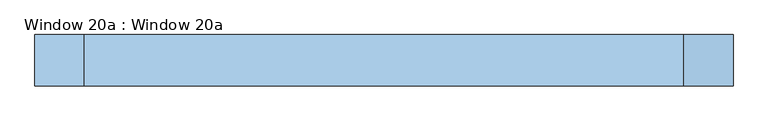
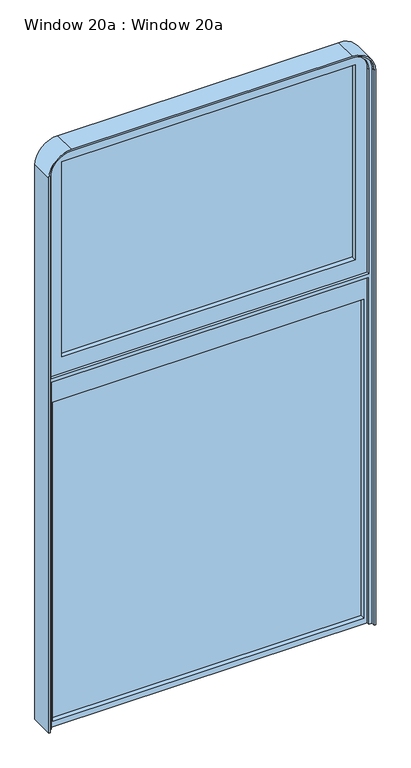
"""IFC4 building model written with IfcOpenShell, lengths in millimetres: window geometry, Window 20a : Window 20a."""

from ifc_helpers import new_model, si_unit, point, frame, frame_2d, origin, place, context, project, spatial, polyline, circle_curve, trimmed, segment, composite_curve, outline, extrude, source, transform, mapped, element, save
from ifc_brep_helpers import plane_surface, cylinder_surface, revolved_surface, advanced_brep


def window_20a_window_20a_917a2120(model_context):
    return source(origin(), model_context, "Body", "SolidModel", [
        extrude(outline(polyline([(969.3587862, 12.7), (-969.3587862, 12.7), (-969.3587862, 31.75), (969.3587862, 31.75), (969.3587862, 12.7)])), frame((0.0, 0.0, 3476.6755698), z_axis=(0.0, 0.0, 1.0), x_axis=(1.0, 0.0, 0.0)), (0.0, 0.0, 1.0), 1361.6727544),
        extrude(outline(polyline([(1027.43, 12.7), (-1027.43, 12.7), (-1027.43, 31.75), (1027.43, 31.75), (1027.43, 12.7)])), frame((0.0, 0.0, 952.5), z_axis=(0.0, 0.0, 1.0), x_axis=(1.0, 0.0, 0.0)), (0.0, 0.0, 1.0), 2225.7255698),
        extrude(outline(polyline([(3336.9755698, 1049.02), (3336.9755698, -1049.02), (914.4, -1049.02), (914.4, 1049.02), (3336.9755698, 1049.02)]), holes=[polyline([(952.5, -1027.43), (3178.2255698, -1027.43), (3178.2255698, 1027.43), (952.5, 1027.43), (952.5, -1027.43)])]), frame((0.0, -19.05, 0.0), z_axis=(0.0, 1.0, 0.0), x_axis=(0.0, 0.0, 1.0)), (0.0, 0.0, 1.0), 50.8),
        extrude(outline(composite_curve([segment(polyline([(3362.3755698, -1049.02), (3362.3755698, 1049.02), (4790.8912161, 1049.02)]), True, "CONTINUOUS"), segment(trimmed(circle_curve(frame_2d((4790.8912161, 927.1)), 121.92), [point((4790.8912161, 1049.02))], [point((4912.8112161, 927.1))], False, "CARTESIAN"), True, "CONTINUOUS"), segment(polyline([(4912.8112161, 927.1), (4912.8112161, -927.1)]), True, "CONTINUOUS"), segment(trimmed(circle_curve(frame_2d((4790.8912161, -927.1)), 121.92), [point((4912.8112161, -927.1))], [point((4790.8912161, -1049.02))], False, "CARTESIAN"), True, "CONTINUOUS"), segment(polyline([(4790.8912161, -1049.02), (3362.3755698, -1049.02)]), True, "CONTINUOUS")], self_intersect=False), holes=[polyline([(3476.6755698, 969.3587862), (3476.6755698, -969.3587862), (4838.3483242, -969.3587862), (4838.3483242, 969.3587862), (3476.6755698, 969.3587862)])]), frame((0.0, -19.05, 0.0), z_axis=(0.0, 1.0, 0.0), x_axis=(0.0, 0.0, 1.0)), (0.0, 0.0, 1.0), 50.8),
        extrude(outline(composite_curve([segment(trimmed(circle_curve(frame_2d((4785.8112161, -927.1)), 143.51), [point((4929.3212161, -927.1))], [point((4785.8112161, -1070.61))], False, "CARTESIAN"), True, "CONTINUOUS"), segment(polyline([(4785.8112161, -1070.61), (914.4, -1070.61), (914.4, -1049.02), (3336.9755698, -1049.02), (3336.9755698, 1049.02), (914.4, 1049.02), (914.4, 1070.61), (4785.8112161, 1070.61)]), True, "CONTINUOUS"), segment(trimmed(circle_curve(frame_2d((4785.8112161, 927.1)), 143.51), [point((4785.8112161, 1070.61))], [point((4929.3212161, 927.1))], False, "CARTESIAN"), True, "CONTINUOUS"), segment(polyline([(4929.3212161, 927.1), (4929.3212161, -927.1)]), True, "CONTINUOUS")], self_intersect=False), holes=[composite_curve([segment(polyline([(3362.3755698, -1049.02), (4790.8912161, -1049.02)]), True, "CONTINUOUS"), segment(trimmed(circle_curve(frame_2d((4790.8912161, -927.1)), 121.92), [point((4790.8912161, -1049.02))], [point((4912.8112161, -927.1))], True, "CARTESIAN"), True, "CONTINUOUS"), segment(polyline([(4912.8112161, -927.1), (4912.8112161, 927.1)]), True, "CONTINUOUS"), segment(trimmed(circle_curve(frame_2d((4790.8912161, 927.1)), 121.92), [point((4912.8112161, 927.1))], [point((4790.8912161, 1049.02))], True, "CARTESIAN"), True, "CONTINUOUS"), segment(polyline([(4790.8912161, 1049.02), (3362.3755698, 1049.02), (3362.3755698, -1049.02)]), True, "CONTINUOUS")], self_intersect=False)]), frame((0.0, -38.1, 0.0), z_axis=(0.0, 1.0, 0.0), x_axis=(0.0, 0.0, 1.0)), (0.0, 0.0, 1.0), 95.25),
        advanced_brep(
        [(-1079.5, -63.5, 4785.8112161), (-1079.5, -63.5, 914.4), (-1070.61, -63.5, 914.4), (-1070.61, -63.5, 4785.8112161), (-927.1, -63.5, 4929.3212161), (927.1, -63.5, 4929.3212161), (1070.61, -63.5, 4785.8112161), (1070.61, -63.5, 914.4), (1079.5, -63.5, 914.4), (1079.5, -63.5, 4785.8112161), (927.1, -63.5, 4938.2112161), (-927.1, -63.5, 4938.268), (-1079.5, 95.25, 4785.8112161), (-1079.5, 95.25, 914.4), (-1070.61, 95.25, 914.4), (-1070.61, 95.25, 4785.8112161), (1070.61, 95.25, 4785.8112161), (1070.61, 95.25, 914.4), (1079.5, 95.25, 914.4), (1079.5, 95.25, 4785.8112161), (-927.1, 95.25, 4938.2112161), (927.1, 95.25, 4938.268), (927.1, 95.25, 4929.3212161), (-927.1, 95.25, 4929.3212161)],
        [
            (0, 1),
            (1, 2),
            (2, 3),
            (3, 4, circle_curve(frame((-927.1, -63.5, 4785.8112161), z_axis=(0.0, 1.0, 0.0), x_axis=(1.0, 0.0, 0.0)), 143.51)),
            (4, 5),
            (5, 6, circle_curve(frame((927.1, -63.5, 4785.8112161), z_axis=(0.0, 1.0, 0.0), x_axis=(1.0, 0.0, 0.0)), 143.51)),
            (6, 7),
            (7, 8),
            (8, 9),
            (9, 10, circle_curve(frame((927.1, -63.5, 4785.8112161), z_axis=(0.0, -1.0, 0.0), x_axis=(1.0, 0.0, 0.0)), 152.4)),
            (10, 11),
            (11, 0, circle_curve(frame((-927.1, -63.5, 4785.8112161), z_axis=(0.0, -1.0, 0.0), x_axis=(1.0, 0.0, 0.0)), 152.4)),
            (0, 12),
            (12, 13),
            (13, 1),
            (13, 14),
            (14, 2),
            (14, 15),
            (15, 3),
            (6, 16),
            (16, 17),
            (17, 7),
            (17, 18),
            (18, 8),
            (18, 19),
            (19, 9),
            (12, 20, circle_curve(frame((-927.1, 95.25, 4785.8112161), z_axis=(0.0, 1.0, 0.0), x_axis=(1.0, 0.0, 0.0)), 152.4)),
            (20, 21),
            (21, 19, circle_curve(frame((927.1, 95.25, 4785.8112161), z_axis=(0.0, 1.0, 0.0), x_axis=(1.0, 0.0, 0.0)), 152.4)),
            (16, 22, circle_curve(frame((927.1, 95.25, 4785.8112161), z_axis=(0.0, -1.0, 0.0), x_axis=(1.0, 0.0, 0.0)), 143.51)),
            (22, 23),
            (23, 15, circle_curve(frame((-927.1, 95.25, 4785.8112161), z_axis=(0.0, -1.0, 0.0), x_axis=(1.0, 0.0, 0.0)), 143.51)),
            (23, 4),
            (22, 5),
            (21, 10),
            (20, 11),
        ],
        [
            plane_surface(frame((-1079.5, -63.5, 914.4), z_axis=(0.0, -1.0, 0.0), x_axis=(0.0, 0.0, -1.0))),
            plane_surface(frame((-1079.5, -63.5, 4785.8112161), z_axis=(-1.0, 0.0, 0.0), x_axis=(0.0, 1.0, 0.0))),
            plane_surface(frame((-1079.5, -63.5, 914.4), z_axis=(0.0, 0.0, -1.0), x_axis=(0.0, 1.0, 0.0))),
            plane_surface(frame((-1070.61, -63.5, 914.4), z_axis=(1.0, 0.0, 0.0), x_axis=(0.0, 1.0, 0.0))),
            plane_surface(frame((1070.61, -63.5, 4785.8112161), z_axis=(-1.0, 0.0, 0.0), x_axis=(0.0, 1.0, 0.0))),
            plane_surface(frame((1070.61, -63.5, 914.4), z_axis=(0.0, 0.0, -1.0), x_axis=(0.0, 1.0, 0.0))),
            plane_surface(frame((1079.5, -63.5, 914.4), z_axis=(1.0, 0.0, 0.0), x_axis=(0.0, 1.0, 0.0))),
            plane_surface(frame((-1079.5, 95.25, 914.4), z_axis=(0.0, 1.0, 0.0), x_axis=(0.0, 0.0, 1.0))),
            revolved_surface(polyline([(-783.59, 95.25, 4785.8112161), (-783.59, -63.5, 4785.8112161)]), (-927.1, 95.25, 4785.8112161), (0.0, 1.0, 0.0)),
            plane_surface(frame((-927.1, -63.5, 4929.3212161), z_axis=(0.0, 0.0, -1.0), x_axis=(0.0, 1.0, 0.0))),
            revolved_surface(polyline([(1070.6100000000001, 95.25, 4785.8112161), (1070.6100000000001, -63.5, 4785.8112161)]), (927.1, 95.25, 4785.8112161), (0.0, 1.0, 0.0)),
            cylinder_surface(frame((927.1, 95.25, 4785.8112161), z_axis=(0.0, -1.0, 0.0), x_axis=(1.0, 0.0, 0.0)), 152.4),
            plane_surface(frame((927.1, -63.5, 4938.268), z_axis=(0.0, 0.0, 1.0), x_axis=(0.0, 1.0, 0.0))),
            cylinder_surface(frame((-927.1, 95.25, 4785.8112161), z_axis=(0.0, -1.0, 0.0), x_axis=(1.0, 0.0, 0.0)), 152.4),
        ],
        [
            (0, [[1, 2, 3, 4, 5, 6, 7, 8, 9, 10, 11, 12]]),
            (1, [[-1, 13, 14, 15]]),
            (2, [[-2, -15, 16, 17]]),
            (3, [[-3, -17, 18, 19]]),
            (4, [[-7, 20, 21, 22]]),
            (5, [[-8, -22, 23, 24]]),
            (6, [[-9, -24, 25, 26]]),
            (7, [[27, 28, 29, -25, -23, -21, 30, 31, 32, -18, -16, -14]]),
            (8, [[-4, -19, -32, 33]]),
            (9, [[-5, -33, -31, 34]]),
            (10, [[-6, -34, -30, -20]]),
            (11, [[-10, -26, -29, 35]]),
            (12, [[-11, -35, -28, 36]]),
            (13, [[-12, -36, -27, -13]]),
        ],
    ),
    ])


if __name__ == "__main__":
    model = new_model("IFC4")
    model_context = context("Model", 3, world=origin())
    ifc_project = project(units=[si_unit("LENGTHUNIT", "METRE", prefix="MILLI")], contexts=[model_context])
    site = spatial("IfcSite", under=ifc_project)
    building = spatial("IfcBuilding", under=site)
    placement = place(None, origin())
    window_20a_window_20a_shape = window_20a_window_20a_917a2120(model_context)
    element("IfcWindow", 1, ObjectType="Window 20a : Window 20a", at=placement, inside=building, context=model_context, shape_type="MappedRepresentation", body=[
        mapped(window_20a_window_20a_shape, transform((0.0, 0.0, 0.0), x_axis=(1.0, 0.0, 0.0), y_axis=(0.0, 1.0, 0.0), z_axis=(0.0, 0.0, 1.0))),
    ])
    save(model, "model.ifc")
